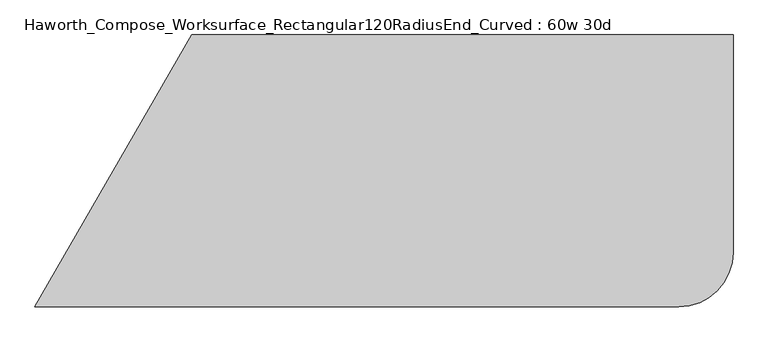
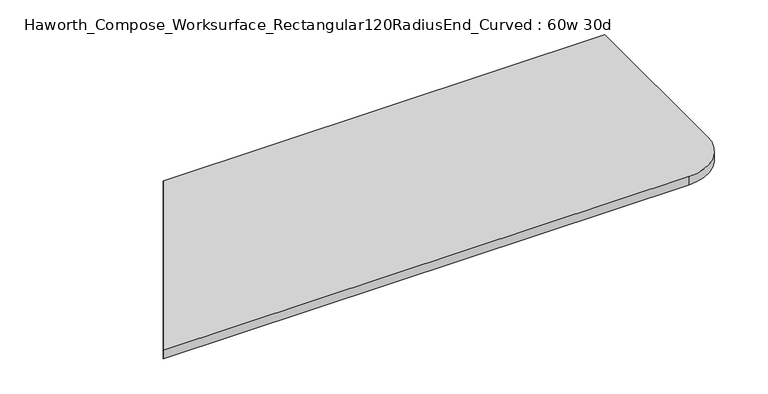
"""IFC4 building model written with IfcOpenShell, lengths in millimetres: furniture geometry, Haworth_Compose_Worksurface_Rectangular120RadiusEnd_Curved : 60w 30d."""

from ifc_helpers import new_model, si_unit, point, frame, frame_2d, origin, place, context, project, spatial, polyline, circle_curve, trimmed, segment, composite_curve, outline, extrude, source, transform, mapped, element, save


def haworth_compose_worksurface_rectangular120radiusend_curved_b57c1973(model_context):
    return source(origin(), model_context, "Body", "SweptSolid", [
        extrude(outline(composite_curve([segment(polyline([(609.6, -381.0), (-1195.533987, -381.0), (-755.6127389, 381.0), (762.0, 381.0), (762.0, -228.6)]), True, "CONTINUOUS"), segment(trimmed(circle_curve(frame_2d((609.6, -228.6)), 152.4), [point((762.0, -228.6))], [point((609.6, -381.0))], False, "CARTESIAN"), True, "CONTINUOUS")], self_intersect=False)), frame((0.0, 0.0, 706.4375), z_axis=(0.0, 0.0, 1.0), x_axis=(1.0, 0.0, 0.0)), (0.0, 0.0, 1.0), 30.1625),
    ])


if __name__ == "__main__":
    model = new_model("IFC4")
    model_context = context("Model", 3, world=origin())
    ifc_project = project(units=[si_unit("LENGTHUNIT", "METRE", prefix="MILLI")], contexts=[model_context])
    site = spatial("IfcSite", under=ifc_project)
    building = spatial("IfcBuilding", under=site)
    placement = place(None, origin())
    haworth_compose_worksurface_rectangular120radiusend_curved_shape = haworth_compose_worksurface_rectangular120radiusend_curved_b57c1973(model_context)
    element("IfcFurniture", 1, ObjectType="Haworth_Compose_Worksurface_Rectangular120RadiusEnd_Curved : 60w 30d", at=placement, inside=building, context=model_context, shape_type="MappedRepresentation", body=[
        mapped(haworth_compose_worksurface_rectangular120radiusend_curved_shape, transform((0.0, 0.0, 0.0), x_axis=(1.0, 0.0, 0.0), y_axis=(0.0, 1.0, 0.0), z_axis=(0.0, 0.0, 1.0))),
    ])
    save(model, "model.ifc")
